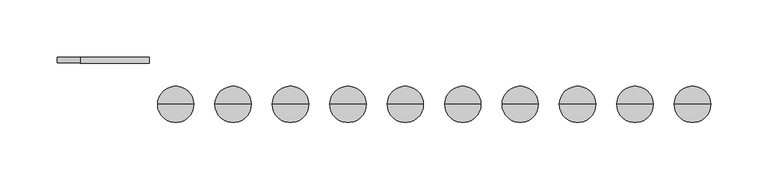
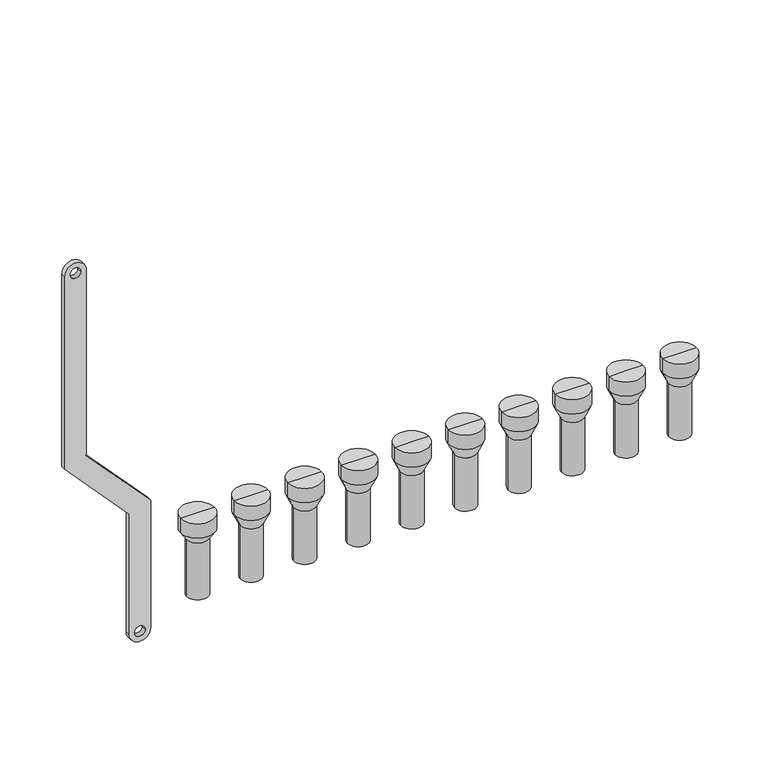
"""IFC4 building model written with IfcOpenShell, lengths in millimetres: proxy geometry."""

from ifc_helpers import new_model, si_unit, point, frame, frame_2d, origin, place, context, project, spatial, polyline, circle_curve, trimmed, segment, composite_curve, outline, extrude, source, transform, mapped, element, save
from ifc_brep_helpers import plane_surface, cylinder_surface, revolved_surface, advanced_brep


def mechanical_equipment_2aa0cf02(model_context):
    return source(origin(), model_context, "Body", "SolidModel", [
        advanced_brep(
        [(551.0, -20.0, -240.0), (535.0, -20.0, -240.0), (535.0, -20.0, -187.5), (551.0, -20.0, -187.5), (553.0, -20.0, -240.0), (533.0, -20.0, -240.0), (553.0, -20.0, -187.5), (533.0, -20.0, -187.5), (558.791778, -20.0, -175.079492), (527.208222, -20.0, -175.079492), (558.791778, -20.0, -161.0287273), (527.208222, -20.0, -161.0287273), (543.0, -20.0, -161.0287273), (543.0, -20.0, -187.5)],
        [
            (0, 1, circle_curve(frame((543.0, -20.0, -240.0), z_axis=(0.0, 0.0, -1.0), x_axis=(-1.0, 0.0, 0.0)), 8.0)),
            (1, 2),
            (2, 3, circle_curve(frame((543.0, -20.0, -187.5), z_axis=(0.0, 0.0, 1.0), x_axis=(-1.0, 0.0, 0.0)), 8.0)),
            (3, 0),
            (1, 0, circle_curve(frame((543.0, -20.0, -240.0), z_axis=(0.0, 0.0, -1.0), x_axis=(-1.0, 0.0, 0.0)), 8.0)),
            (3, 2, circle_curve(frame((543.0, -20.0, -187.5), z_axis=(0.0, 0.0, 1.0), x_axis=(-1.0, 0.0, 0.0)), 8.0)),
            (4, 5, circle_curve(frame((543.0, -20.0, -240.0), z_axis=(0.0, 0.0, -1.0), x_axis=(-1.0, 0.0, 0.0)), 10.0)),
            (5, 1),
            (0, 4),
            (5, 4, circle_curve(frame((543.0, -20.0, -240.0), z_axis=(0.0, 0.0, -1.0), x_axis=(-1.0, 0.0, 0.0)), 10.0)),
            (6, 7, circle_curve(frame((543.0, -20.0, -187.5), z_axis=(0.0, 0.0, -1.0), x_axis=(-1.0, 0.0, 0.0)), 10.0)),
            (7, 5),
            (4, 6),
            (7, 6, circle_curve(frame((543.0, -20.0, -187.5), z_axis=(0.0, 0.0, -1.0), x_axis=(-1.0, 0.0, 0.0)), 10.0)),
            (8, 9, circle_curve(frame((543.0, -20.0, -175.079492), z_axis=(0.0, 0.0, -1.0), x_axis=(-1.0, 0.0, 0.0)), 15.791778)),
            (9, 7),
            (6, 8),
            (9, 8, circle_curve(frame((543.0, -20.0, -175.079492), z_axis=(0.0, 0.0, -1.0), x_axis=(-1.0, 0.0, 0.0)), 15.791778)),
            (10, 11, circle_curve(frame((543.0, -20.0, -161.0287273), z_axis=(0.0, 0.0, -1.0), x_axis=(-1.0, 0.0, 0.0)), 15.791778)),
            (11, 9),
            (8, 10),
            (11, 10, circle_curve(frame((543.0, -20.0, -161.0287273), z_axis=(0.0, 0.0, -1.0), x_axis=(-1.0, 0.0, 0.0)), 15.791778)),
            (12, 11),
            (10, 12),
            (2, 13),
            (13, 3),
        ],
        [
            revolved_surface(polyline([(535.0, -20.0, -187.5), (535.0, -20.0, -240.0)]), (543.0, -20.0, -200.0), (0.0, 0.0, 1.0)),
            plane_surface(frame((543.0, -20.0, -240.0), z_axis=(0.0, 0.0, -1.0), x_axis=(-1.0, 0.0, 0.0))),
            cylinder_surface(frame((543.0, -20.0, -200.0), z_axis=(0.0, 0.0, 1.0), x_axis=(-1.0, 0.0, 0.0)), 10.0),
            revolved_surface(polyline([(533.0, -20.0, -187.5), (527.208222, -20.0, -175.079492)]), (543.0, -20.0, -200.0), (0.0, 0.0, 1.0)),
            cylinder_surface(frame((543.0, -20.0, -200.0), z_axis=(0.0, 0.0, 1.0), x_axis=(-1.0, 0.0, 0.0)), 15.791778),
            plane_surface(frame((543.0, -20.0, -161.0287273), z_axis=(0.0, 0.0, 1.0), x_axis=(-1.0, 0.0, 0.0))),
            plane_surface(frame((543.0, -20.0, -187.5), z_axis=(0.0, 0.0, -1.0), x_axis=(-1.0, 0.0, 0.0))),
        ],
        [
            (0, [[1, 2, 3, 4]]),
            (0, [[5, -4, 6, -2]]),
            (1, [[7, 8, -1, 9]]),
            (1, [[10, -9, -5, -8]]),
            (2, [[11, 12, -7, 13]]),
            (2, [[14, -13, -10, -12]]),
            (3, [[15, 16, -11, 17]]),
            (3, [[18, -17, -14, -16]]),
            (4, [[19, 20, -15, 21]]),
            (4, [[22, -21, -18, -20]]),
            (5, [[23, -19, 24]]),
            (5, [[-24, -22, -23]]),
            (6, [[-3, 25, 26]]),
            (6, [[-6, -26, -25]]),
        ],
    ),
        advanced_brep(
        [(501.0, -20.0, -240.0), (485.0, -20.0, -240.0), (485.0, -20.0, -187.5), (501.0, -20.0, -187.5), (503.0, -20.0, -240.0), (483.0, -20.0, -240.0), (503.0, -20.0, -187.5), (483.0, -20.0, -187.5), (508.791778, -20.0, -175.079492), (477.208222, -20.0, -175.079492), (508.791778, -20.0, -161.0287273), (477.208222, -20.0, -161.0287273), (493.0, -20.0, -161.0287273), (493.0, -20.0, -187.5)],
        [
            (0, 1, circle_curve(frame((493.0, -20.0, -240.0), z_axis=(0.0, 0.0, -1.0), x_axis=(-1.0, 0.0, 0.0)), 8.0)),
            (1, 2),
            (2, 3, circle_curve(frame((493.0, -20.0, -187.5), z_axis=(0.0, 0.0, 1.0), x_axis=(-1.0, 0.0, 0.0)), 8.0)),
            (3, 0),
            (1, 0, circle_curve(frame((493.0, -20.0, -240.0), z_axis=(0.0, 0.0, -1.0), x_axis=(-1.0, 0.0, 0.0)), 8.0)),
            (3, 2, circle_curve(frame((493.0, -20.0, -187.5), z_axis=(0.0, 0.0, 1.0), x_axis=(-1.0, 0.0, 0.0)), 8.0)),
            (4, 5, circle_curve(frame((493.0, -20.0, -240.0), z_axis=(0.0, 0.0, -1.0), x_axis=(-1.0, 0.0, 0.0)), 10.0)),
            (5, 1),
            (0, 4),
            (5, 4, circle_curve(frame((493.0, -20.0, -240.0), z_axis=(0.0, 0.0, -1.0), x_axis=(-1.0, 0.0, 0.0)), 10.0)),
            (6, 7, circle_curve(frame((493.0, -20.0, -187.5), z_axis=(0.0, 0.0, -1.0), x_axis=(-1.0, 0.0, 0.0)), 10.0)),
            (7, 5),
            (4, 6),
            (7, 6, circle_curve(frame((493.0, -20.0, -187.5), z_axis=(0.0, 0.0, -1.0), x_axis=(-1.0, 0.0, 0.0)), 10.0)),
            (8, 9, circle_curve(frame((493.0, -20.0, -175.079492), z_axis=(0.0, 0.0, -1.0), x_axis=(-1.0, 0.0, 0.0)), 15.791778)),
            (9, 7),
            (6, 8),
            (9, 8, circle_curve(frame((493.0, -20.0, -175.079492), z_axis=(0.0, 0.0, -1.0), x_axis=(-1.0, 0.0, 0.0)), 15.791778)),
            (10, 11, circle_curve(frame((493.0, -20.0, -161.0287273), z_axis=(0.0, 0.0, -1.0), x_axis=(-1.0, 0.0, 0.0)), 15.791778)),
            (11, 9),
            (8, 10),
            (11, 10, circle_curve(frame((493.0, -20.0, -161.0287273), z_axis=(0.0, 0.0, -1.0), x_axis=(-1.0, 0.0, 0.0)), 15.791778)),
            (12, 11),
            (10, 12),
            (2, 13),
            (13, 3),
        ],
        [
            revolved_surface(polyline([(485.0, -20.0, -187.5), (485.0, -20.0, -240.0)]), (493.0, -20.0, -200.0), (0.0, 0.0, 1.0)),
            plane_surface(frame((493.0, -20.0, -240.0), z_axis=(0.0, 0.0, -1.0), x_axis=(-1.0, 0.0, 0.0))),
            cylinder_surface(frame((493.0, -20.0, -200.0), z_axis=(0.0, 0.0, 1.0), x_axis=(-1.0, 0.0, 0.0)), 10.0),
            revolved_surface(polyline([(483.0, -20.0, -187.5), (477.208222, -20.0, -175.079492)]), (493.0, -20.0, -200.0), (0.0, 0.0, 1.0)),
            cylinder_surface(frame((493.0, -20.0, -200.0), z_axis=(0.0, 0.0, 1.0), x_axis=(-1.0, 0.0, 0.0)), 15.791778),
            plane_surface(frame((493.0, -20.0, -161.0287273), z_axis=(0.0, 0.0, 1.0), x_axis=(-1.0, 0.0, 0.0))),
            plane_surface(frame((493.0, -20.0, -187.5), z_axis=(0.0, 0.0, -1.0), x_axis=(-1.0, 0.0, 0.0))),
        ],
        [
            (0, [[1, 2, 3, 4]]),
            (0, [[5, -4, 6, -2]]),
            (1, [[7, 8, -1, 9]]),
            (1, [[10, -9, -5, -8]]),
            (2, [[11, 12, -7, 13]]),
            (2, [[14, -13, -10, -12]]),
            (3, [[15, 16, -11, 17]]),
            (3, [[18, -17, -14, -16]]),
            (4, [[19, 20, -15, 21]]),
            (4, [[22, -21, -18, -20]]),
            (5, [[23, -19, 24]]),
            (5, [[-24, -22, -23]]),
            (6, [[-3, 25, 26]]),
            (6, [[-6, -26, -25]]),
        ],
    ),
        advanced_brep(
        [(451.0, -20.0, -240.0), (435.0, -20.0, -240.0), (435.0, -20.0, -187.5), (451.0, -20.0, -187.5), (453.0, -20.0, -240.0), (433.0, -20.0, -240.0), (453.0, -20.0, -187.5), (433.0, -20.0, -187.5), (458.791778, -20.0, -175.079492), (427.208222, -20.0, -175.079492), (458.791778, -20.0, -161.0287273), (427.208222, -20.0, -161.0287273), (443.0, -20.0, -161.0287273), (443.0, -20.0, -187.5)],
        [
            (0, 1, circle_curve(frame((443.0, -20.0, -240.0), z_axis=(0.0, 0.0, -1.0), x_axis=(-1.0, 0.0, 0.0)), 8.0)),
            (1, 2),
            (2, 3, circle_curve(frame((443.0, -20.0, -187.5), z_axis=(0.0, 0.0, 1.0), x_axis=(-1.0, 0.0, 0.0)), 8.0)),
            (3, 0),
            (1, 0, circle_curve(frame((443.0, -20.0, -240.0), z_axis=(0.0, 0.0, -1.0), x_axis=(-1.0, 0.0, 0.0)), 8.0)),
            (3, 2, circle_curve(frame((443.0, -20.0, -187.5), z_axis=(0.0, 0.0, 1.0), x_axis=(-1.0, 0.0, 0.0)), 8.0)),
            (4, 5, circle_curve(frame((443.0, -20.0, -240.0), z_axis=(0.0, 0.0, -1.0), x_axis=(-1.0, 0.0, 0.0)), 10.0)),
            (5, 1),
            (0, 4),
            (5, 4, circle_curve(frame((443.0, -20.0, -240.0), z_axis=(0.0, 0.0, -1.0), x_axis=(-1.0, 0.0, 0.0)), 10.0)),
            (6, 7, circle_curve(frame((443.0, -20.0, -187.5), z_axis=(0.0, 0.0, -1.0), x_axis=(-1.0, 0.0, 0.0)), 10.0)),
            (7, 5),
            (4, 6),
            (7, 6, circle_curve(frame((443.0, -20.0, -187.5), z_axis=(0.0, 0.0, -1.0), x_axis=(-1.0, 0.0, 0.0)), 10.0)),
            (8, 9, circle_curve(frame((443.0, -20.0, -175.079492), z_axis=(0.0, 0.0, -1.0), x_axis=(-1.0, 0.0, 0.0)), 15.791778)),
            (9, 7),
            (6, 8),
            (9, 8, circle_curve(frame((443.0, -20.0, -175.079492), z_axis=(0.0, 0.0, -1.0), x_axis=(-1.0, 0.0, 0.0)), 15.791778)),
            (10, 11, circle_curve(frame((443.0, -20.0, -161.0287273), z_axis=(0.0, 0.0, -1.0), x_axis=(-1.0, 0.0, 0.0)), 15.791778)),
            (11, 9),
            (8, 10),
            (11, 10, circle_curve(frame((443.0, -20.0, -161.0287273), z_axis=(0.0, 0.0, -1.0), x_axis=(-1.0, 0.0, 0.0)), 15.791778)),
            (12, 11),
            (10, 12),
            (2, 13),
            (13, 3),
        ],
        [
            revolved_surface(polyline([(435.0, -20.0, -187.5), (435.0, -20.0, -240.0)]), (443.0, -20.0, -200.0), (0.0, 0.0, 1.0)),
            plane_surface(frame((443.0, -20.0, -240.0), z_axis=(0.0, 0.0, -1.0), x_axis=(-1.0, 0.0, 0.0))),
            cylinder_surface(frame((443.0, -20.0, -200.0), z_axis=(0.0, 0.0, 1.0), x_axis=(-1.0, 0.0, 0.0)), 10.0),
            revolved_surface(polyline([(433.0, -20.0, -187.5), (427.208222, -20.0, -175.079492)]), (443.0, -20.0, -200.0), (0.0, 0.0, 1.0)),
            cylinder_surface(frame((443.0, -20.0, -200.0), z_axis=(0.0, 0.0, 1.0), x_axis=(-1.0, 0.0, 0.0)), 15.791778),
            plane_surface(frame((443.0, -20.0, -161.0287273), z_axis=(0.0, 0.0, 1.0), x_axis=(-1.0, 0.0, 0.0))),
            plane_surface(frame((443.0, -20.0, -187.5), z_axis=(0.0, 0.0, -1.0), x_axis=(-1.0, 0.0, 0.0))),
        ],
        [
            (0, [[1, 2, 3, 4]]),
            (0, [[5, -4, 6, -2]]),
            (1, [[7, 8, -1, 9]]),
            (1, [[10, -9, -5, -8]]),
            (2, [[11, 12, -7, 13]]),
            (2, [[14, -13, -10, -12]]),
            (3, [[15, 16, -11, 17]]),
            (3, [[18, -17, -14, -16]]),
            (4, [[19, 20, -15, 21]]),
            (4, [[22, -21, -18, -20]]),
            (5, [[23, -19, 24]]),
            (5, [[-24, -22, -23]]),
            (6, [[-3, 25, 26]]),
            (6, [[-6, -26, -25]]),
        ],
    ),
        advanced_brep(
        [(401.0, -20.0, -240.0), (385.0, -20.0, -240.0), (385.0, -20.0, -187.5), (401.0, -20.0, -187.5), (403.0, -20.0, -240.0), (383.0, -20.0, -240.0), (403.0, -20.0, -187.5), (383.0, -20.0, -187.5), (408.791778, -20.0, -175.079492), (377.208222, -20.0, -175.079492), (408.791778, -20.0, -161.0287273), (377.208222, -20.0, -161.0287273), (393.0, -20.0, -161.0287273), (393.0, -20.0, -187.5)],
        [
            (0, 1, circle_curve(frame((393.0, -20.0, -240.0), z_axis=(0.0, 0.0, -1.0), x_axis=(-1.0, 0.0, 0.0)), 8.0)),
            (1, 2),
            (2, 3, circle_curve(frame((393.0, -20.0, -187.5), z_axis=(0.0, 0.0, 1.0), x_axis=(-1.0, 0.0, 0.0)), 8.0)),
            (3, 0),
            (1, 0, circle_curve(frame((393.0, -20.0, -240.0), z_axis=(0.0, 0.0, -1.0), x_axis=(-1.0, 0.0, 0.0)), 8.0)),
            (3, 2, circle_curve(frame((393.0, -20.0, -187.5), z_axis=(0.0, 0.0, 1.0), x_axis=(-1.0, 0.0, 0.0)), 8.0)),
            (4, 5, circle_curve(frame((393.0, -20.0, -240.0), z_axis=(0.0, 0.0, -1.0), x_axis=(-1.0, 0.0, 0.0)), 10.0)),
            (5, 1),
            (0, 4),
            (5, 4, circle_curve(frame((393.0, -20.0, -240.0), z_axis=(0.0, 0.0, -1.0), x_axis=(-1.0, 0.0, 0.0)), 10.0)),
            (6, 7, circle_curve(frame((393.0, -20.0, -187.5), z_axis=(0.0, 0.0, -1.0), x_axis=(-1.0, 0.0, 0.0)), 10.0)),
            (7, 5),
            (4, 6),
            (7, 6, circle_curve(frame((393.0, -20.0, -187.5), z_axis=(0.0, 0.0, -1.0), x_axis=(-1.0, 0.0, 0.0)), 10.0)),
            (8, 9, circle_curve(frame((393.0, -20.0, -175.079492), z_axis=(0.0, 0.0, -1.0), x_axis=(-1.0, 0.0, 0.0)), 15.791778)),
            (9, 7),
            (6, 8),
            (9, 8, circle_curve(frame((393.0, -20.0, -175.079492), z_axis=(0.0, 0.0, -1.0), x_axis=(-1.0, 0.0, 0.0)), 15.791778)),
            (10, 11, circle_curve(frame((393.0, -20.0, -161.0287273), z_axis=(0.0, 0.0, -1.0), x_axis=(-1.0, 0.0, 0.0)), 15.791778)),
            (11, 9),
            (8, 10),
            (11, 10, circle_curve(frame((393.0, -20.0, -161.0287273), z_axis=(0.0, 0.0, -1.0), x_axis=(-1.0, 0.0, 0.0)), 15.791778)),
            (12, 11),
            (10, 12),
            (2, 13),
            (13, 3),
        ],
        [
            revolved_surface(polyline([(385.0, -20.0, -187.5), (385.0, -20.0, -240.0)]), (393.0, -20.0, -200.0), (0.0, 0.0, 1.0)),
            plane_surface(frame((393.0, -20.0, -240.0), z_axis=(0.0, 0.0, -1.0), x_axis=(-1.0, 0.0, 0.0))),
            cylinder_surface(frame((393.0, -20.0, -200.0), z_axis=(0.0, 0.0, 1.0), x_axis=(-1.0, 0.0, 0.0)), 10.0),
            revolved_surface(polyline([(383.0, -20.0, -187.5), (377.208222, -20.0, -175.079492)]), (393.0, -20.0, -200.0), (0.0, 0.0, 1.0)),
            cylinder_surface(frame((393.0, -20.0, -200.0), z_axis=(0.0, 0.0, 1.0), x_axis=(-1.0, 0.0, 0.0)), 15.791778),
            plane_surface(frame((393.0, -20.0, -161.0287273), z_axis=(0.0, 0.0, 1.0), x_axis=(-1.0, 0.0, 0.0))),
            plane_surface(frame((393.0, -20.0, -187.5), z_axis=(0.0, 0.0, -1.0), x_axis=(-1.0, 0.0, 0.0))),
        ],
        [
            (0, [[1, 2, 3, 4]]),
            (0, [[5, -4, 6, -2]]),
            (1, [[7, 8, -1, 9]]),
            (1, [[10, -9, -5, -8]]),
            (2, [[11, 12, -7, 13]]),
            (2, [[14, -13, -10, -12]]),
            (3, [[15, 16, -11, 17]]),
            (3, [[18, -17, -14, -16]]),
            (4, [[19, 20, -15, 21]]),
            (4, [[22, -21, -18, -20]]),
            (5, [[23, -19, 24]]),
            (5, [[-24, -22, -23]]),
            (6, [[-3, 25, 26]]),
            (6, [[-6, -26, -25]]),
        ],
    ),
        advanced_brep(
        [(351.0, -20.0, -240.0), (335.0, -20.0, -240.0), (335.0, -20.0, -187.5), (351.0, -20.0, -187.5), (353.0, -20.0, -240.0), (333.0, -20.0, -240.0), (353.0, -20.0, -187.5), (333.0, -20.0, -187.5), (358.791778, -20.0, -175.079492), (327.208222, -20.0, -175.079492), (358.791778, -20.0, -161.0287273), (327.208222, -20.0, -161.0287273), (343.0, -20.0, -161.0287273), (343.0, -20.0, -187.5)],
        [
            (0, 1, circle_curve(frame((343.0, -20.0, -240.0), z_axis=(0.0, 0.0, -1.0), x_axis=(-1.0, 0.0, 0.0)), 8.0)),
            (1, 2),
            (2, 3, circle_curve(frame((343.0, -20.0, -187.5), z_axis=(0.0, 0.0, 1.0), x_axis=(-1.0, 0.0, 0.0)), 8.0)),
            (3, 0),
            (1, 0, circle_curve(frame((343.0, -20.0, -240.0), z_axis=(0.0, 0.0, -1.0), x_axis=(-1.0, 0.0, 0.0)), 8.0)),
            (3, 2, circle_curve(frame((343.0, -20.0, -187.5), z_axis=(0.0, 0.0, 1.0), x_axis=(-1.0, 0.0, 0.0)), 8.0)),
            (4, 5, circle_curve(frame((343.0, -20.0, -240.0), z_axis=(0.0, 0.0, -1.0), x_axis=(-1.0, 0.0, 0.0)), 10.0)),
            (5, 1),
            (0, 4),
            (5, 4, circle_curve(frame((343.0, -20.0, -240.0), z_axis=(0.0, 0.0, -1.0), x_axis=(-1.0, 0.0, 0.0)), 10.0)),
            (6, 7, circle_curve(frame((343.0, -20.0, -187.5), z_axis=(0.0, 0.0, -1.0), x_axis=(-1.0, 0.0, 0.0)), 10.0)),
            (7, 5),
            (4, 6),
            (7, 6, circle_curve(frame((343.0, -20.0, -187.5), z_axis=(0.0, 0.0, -1.0), x_axis=(-1.0, 0.0, 0.0)), 10.0)),
            (8, 9, circle_curve(frame((343.0, -20.0, -175.079492), z_axis=(0.0, 0.0, -1.0), x_axis=(-1.0, 0.0, 0.0)), 15.791778)),
            (9, 7),
            (6, 8),
            (9, 8, circle_curve(frame((343.0, -20.0, -175.079492), z_axis=(0.0, 0.0, -1.0), x_axis=(-1.0, 0.0, 0.0)), 15.791778)),
            (10, 11, circle_curve(frame((343.0, -20.0, -161.0287273), z_axis=(0.0, 0.0, -1.0), x_axis=(-1.0, 0.0, 0.0)), 15.791778)),
            (11, 9),
            (8, 10),
            (11, 10, circle_curve(frame((343.0, -20.0, -161.0287273), z_axis=(0.0, 0.0, -1.0), x_axis=(-1.0, 0.0, 0.0)), 15.791778)),
            (12, 11),
            (10, 12),
            (2, 13),
            (13, 3),
        ],
        [
            revolved_surface(polyline([(335.0, -20.0, -187.5), (335.0, -20.0, -240.0)]), (343.0, -20.0, -200.0), (0.0, 0.0, 1.0)),
            plane_surface(frame((343.0, -20.0, -240.0), z_axis=(0.0, 0.0, -1.0), x_axis=(-1.0, 0.0, 0.0))),
            cylinder_surface(frame((343.0, -20.0, -200.0), z_axis=(0.0, 0.0, 1.0), x_axis=(-1.0, 0.0, 0.0)), 10.0),
            revolved_surface(polyline([(333.0, -20.0, -187.5), (327.208222, -20.0, -175.079492)]), (343.0, -20.0, -200.0), (0.0, 0.0, 1.0)),
            cylinder_surface(frame((343.0, -20.0, -200.0), z_axis=(0.0, 0.0, 1.0), x_axis=(-1.0, 0.0, 0.0)), 15.791778),
            plane_surface(frame((343.0, -20.0, -161.0287273), z_axis=(0.0, 0.0, 1.0), x_axis=(-1.0, 0.0, 0.0))),
            plane_surface(frame((343.0, -20.0, -187.5), z_axis=(0.0, 0.0, -1.0), x_axis=(-1.0, 0.0, 0.0))),
        ],
        [
            (0, [[1, 2, 3, 4]]),
            (0, [[5, -4, 6, -2]]),
            (1, [[7, 8, -1, 9]]),
            (1, [[10, -9, -5, -8]]),
            (2, [[11, 12, -7, 13]]),
            (2, [[14, -13, -10, -12]]),
            (3, [[15, 16, -11, 17]]),
            (3, [[18, -17, -14, -16]]),
            (4, [[19, 20, -15, 21]]),
            (4, [[22, -21, -18, -20]]),
            (5, [[23, -19, 24]]),
            (5, [[-24, -22, -23]]),
            (6, [[-3, 25, 26]]),
            (6, [[-6, -26, -25]]),
        ],
    ),
        advanced_brep(
        [(301.0, -20.0, -240.0), (285.0, -20.0, -240.0), (285.0, -20.0, -187.5), (301.0, -20.0, -187.5), (303.0, -20.0, -240.0), (283.0, -20.0, -240.0), (303.0, -20.0, -187.5), (283.0, -20.0, -187.5), (308.791778, -20.0, -175.079492), (277.208222, -20.0, -175.079492), (308.791778, -20.0, -161.0287273), (277.208222, -20.0, -161.0287273), (293.0, -20.0, -161.0287273), (293.0, -20.0, -187.5)],
        [
            (0, 1, circle_curve(frame((293.0, -20.0, -240.0), z_axis=(0.0, 0.0, -1.0), x_axis=(-1.0, 0.0, 0.0)), 8.0)),
            (1, 2),
            (2, 3, circle_curve(frame((293.0, -20.0, -187.5), z_axis=(0.0, 0.0, 1.0), x_axis=(-1.0, 0.0, 0.0)), 8.0)),
            (3, 0),
            (1, 0, circle_curve(frame((293.0, -20.0, -240.0), z_axis=(0.0, 0.0, -1.0), x_axis=(-1.0, 0.0, 0.0)), 8.0)),
            (3, 2, circle_curve(frame((293.0, -20.0, -187.5), z_axis=(0.0, 0.0, 1.0), x_axis=(-1.0, 0.0, 0.0)), 8.0)),
            (4, 5, circle_curve(frame((293.0, -20.0, -240.0), z_axis=(0.0, 0.0, -1.0), x_axis=(-1.0, 0.0, 0.0)), 10.0)),
            (5, 1),
            (0, 4),
            (5, 4, circle_curve(frame((293.0, -20.0, -240.0), z_axis=(0.0, 0.0, -1.0), x_axis=(-1.0, 0.0, 0.0)), 10.0)),
            (6, 7, circle_curve(frame((293.0, -20.0, -187.5), z_axis=(0.0, 0.0, -1.0), x_axis=(-1.0, 0.0, 0.0)), 10.0)),
            (7, 5),
            (4, 6),
            (7, 6, circle_curve(frame((293.0, -20.0, -187.5), z_axis=(0.0, 0.0, -1.0), x_axis=(-1.0, 0.0, 0.0)), 10.0)),
            (8, 9, circle_curve(frame((293.0, -20.0, -175.079492), z_axis=(0.0, 0.0, -1.0), x_axis=(-1.0, 0.0, 0.0)), 15.791778)),
            (9, 7),
            (6, 8),
            (9, 8, circle_curve(frame((293.0, -20.0, -175.079492), z_axis=(0.0, 0.0, -1.0), x_axis=(-1.0, 0.0, 0.0)), 15.791778)),
            (10, 11, circle_curve(frame((293.0, -20.0, -161.0287273), z_axis=(0.0, 0.0, -1.0), x_axis=(-1.0, 0.0, 0.0)), 15.791778)),
            (11, 9),
            (8, 10),
            (11, 10, circle_curve(frame((293.0, -20.0, -161.0287273), z_axis=(0.0, 0.0, -1.0), x_axis=(-1.0, 0.0, 0.0)), 15.791778)),
            (12, 11),
            (10, 12),
            (2, 13),
            (13, 3),
        ],
        [
            revolved_surface(polyline([(285.0, -20.0, -187.5), (285.0, -20.0, -240.0)]), (293.0, -20.0, -200.0), (0.0, 0.0, 1.0)),
            plane_surface(frame((293.0, -20.0, -240.0), z_axis=(0.0, 0.0, -1.0), x_axis=(-1.0, 0.0, 0.0))),
            cylinder_surface(frame((293.0, -20.0, -200.0), z_axis=(0.0, 0.0, 1.0), x_axis=(-1.0, 0.0, 0.0)), 10.0),
            revolved_surface(polyline([(283.0, -20.0, -187.5), (277.208222, -20.0, -175.079492)]), (293.0, -20.0, -200.0), (0.0, 0.0, 1.0)),
            cylinder_surface(frame((293.0, -20.0, -200.0), z_axis=(0.0, 0.0, 1.0), x_axis=(-1.0, 0.0, 0.0)), 15.791778),
            plane_surface(frame((293.0, -20.0, -161.0287273), z_axis=(0.0, 0.0, 1.0), x_axis=(-1.0, 0.0, 0.0))),
            plane_surface(frame((293.0, -20.0, -187.5), z_axis=(0.0, 0.0, -1.0), x_axis=(-1.0, 0.0, 0.0))),
        ],
        [
            (0, [[1, 2, 3, 4]]),
            (0, [[5, -4, 6, -2]]),
            (1, [[7, 8, -1, 9]]),
            (1, [[10, -9, -5, -8]]),
            (2, [[11, 12, -7, 13]]),
            (2, [[14, -13, -10, -12]]),
            (3, [[15, 16, -11, 17]]),
            (3, [[18, -17, -14, -16]]),
            (4, [[19, 20, -15, 21]]),
            (4, [[22, -21, -18, -20]]),
            (5, [[23, -19, 24]]),
            (5, [[-24, -22, -23]]),
            (6, [[-3, 25, 26]]),
            (6, [[-6, -26, -25]]),
        ],
    ),
        advanced_brep(
        [(251.0, -20.0, -240.0), (235.0, -20.0, -240.0), (235.0, -20.0, -187.5), (251.0, -20.0, -187.5), (253.0, -20.0, -240.0), (233.0, -20.0, -240.0), (253.0, -20.0, -187.5), (233.0, -20.0, -187.5), (258.791778, -20.0, -175.079492), (227.208222, -20.0, -175.079492), (258.791778, -20.0, -161.0287273), (227.208222, -20.0, -161.0287273), (243.0, -20.0, -161.0287273), (243.0, -20.0, -187.5)],
        [
            (0, 1, circle_curve(frame((243.0, -20.0, -240.0), z_axis=(0.0, 0.0, -1.0), x_axis=(-1.0, 0.0, 0.0)), 8.0)),
            (1, 2),
            (2, 3, circle_curve(frame((243.0, -20.0, -187.5), z_axis=(0.0, 0.0, 1.0), x_axis=(-1.0, 0.0, 0.0)), 8.0)),
            (3, 0),
            (1, 0, circle_curve(frame((243.0, -20.0, -240.0), z_axis=(0.0, 0.0, -1.0), x_axis=(-1.0, 0.0, 0.0)), 8.0)),
            (3, 2, circle_curve(frame((243.0, -20.0, -187.5), z_axis=(0.0, 0.0, 1.0), x_axis=(-1.0, 0.0, 0.0)), 8.0)),
            (4, 5, circle_curve(frame((243.0, -20.0, -240.0), z_axis=(0.0, 0.0, -1.0), x_axis=(-1.0, 0.0, 0.0)), 10.0)),
            (5, 1),
            (0, 4),
            (5, 4, circle_curve(frame((243.0, -20.0, -240.0), z_axis=(0.0, 0.0, -1.0), x_axis=(-1.0, 0.0, 0.0)), 10.0)),
            (6, 7, circle_curve(frame((243.0, -20.0, -187.5), z_axis=(0.0, 0.0, -1.0), x_axis=(-1.0, 0.0, 0.0)), 10.0)),
            (7, 5),
            (4, 6),
            (7, 6, circle_curve(frame((243.0, -20.0, -187.5), z_axis=(0.0, 0.0, -1.0), x_axis=(-1.0, 0.0, 0.0)), 10.0)),
            (8, 9, circle_curve(frame((243.0, -20.0, -175.079492), z_axis=(0.0, 0.0, -1.0), x_axis=(-1.0, 0.0, 0.0)), 15.791778)),
            (9, 7),
            (6, 8),
            (9, 8, circle_curve(frame((243.0, -20.0, -175.079492), z_axis=(0.0, 0.0, -1.0), x_axis=(-1.0, 0.0, 0.0)), 15.791778)),
            (10, 11, circle_curve(frame((243.0, -20.0, -161.0287273), z_axis=(0.0, 0.0, -1.0), x_axis=(-1.0, 0.0, 0.0)), 15.791778)),
            (11, 9),
            (8, 10),
            (11, 10, circle_curve(frame((243.0, -20.0, -161.0287273), z_axis=(0.0, 0.0, -1.0), x_axis=(-1.0, 0.0, 0.0)), 15.791778)),
            (12, 11),
            (10, 12),
            (2, 13),
            (13, 3),
        ],
        [
            revolved_surface(polyline([(235.0, -20.0, -187.5), (235.0, -20.0, -240.0)]), (243.0, -20.0, -200.0), (0.0, 0.0, 1.0)),
            plane_surface(frame((243.0, -20.0, -240.0), z_axis=(0.0, 0.0, -1.0), x_axis=(-1.0, 0.0, 0.0))),
            cylinder_surface(frame((243.0, -20.0, -200.0), z_axis=(0.0, 0.0, 1.0), x_axis=(-1.0, 0.0, 0.0)), 10.0),
            revolved_surface(polyline([(233.0, -20.0, -187.5), (227.208222, -20.0, -175.079492)]), (243.0, -20.0, -200.0), (0.0, 0.0, 1.0)),
            cylinder_surface(frame((243.0, -20.0, -200.0), z_axis=(0.0, 0.0, 1.0), x_axis=(-1.0, 0.0, 0.0)), 15.791778),
            plane_surface(frame((243.0, -20.0, -161.0287273), z_axis=(0.0, 0.0, 1.0), x_axis=(-1.0, 0.0, 0.0))),
            plane_surface(frame((243.0, -20.0, -187.5), z_axis=(0.0, 0.0, -1.0), x_axis=(-1.0, 0.0, 0.0))),
        ],
        [
            (0, [[1, 2, 3, 4]]),
            (0, [[5, -4, 6, -2]]),
            (1, [[7, 8, -1, 9]]),
            (1, [[10, -9, -5, -8]]),
            (2, [[11, 12, -7, 13]]),
            (2, [[14, -13, -10, -12]]),
            (3, [[15, 16, -11, 17]]),
            (3, [[18, -17, -14, -16]]),
            (4, [[19, 20, -15, 21]]),
            (4, [[22, -21, -18, -20]]),
            (5, [[23, -19, 24]]),
            (5, [[-24, -22, -23]]),
            (6, [[-3, 25, 26]]),
            (6, [[-6, -26, -25]]),
        ],
    ),
        advanced_brep(
        [(201.0, -20.0, -240.0), (185.0, -20.0, -240.0), (185.0, -20.0, -187.5), (201.0, -20.0, -187.5), (203.0, -20.0, -240.0), (183.0, -20.0, -240.0), (203.0, -20.0, -187.5), (183.0, -20.0, -187.5), (208.791778, -20.0, -175.079492), (177.208222, -20.0, -175.079492), (208.791778, -20.0, -161.0287273), (177.208222, -20.0, -161.0287273), (193.0, -20.0, -161.0287273), (193.0, -20.0, -187.5)],
        [
            (0, 1, circle_curve(frame((193.0, -20.0, -240.0), z_axis=(0.0, 0.0, -1.0), x_axis=(-1.0, 0.0, 0.0)), 8.0)),
            (1, 2),
            (2, 3, circle_curve(frame((193.0, -20.0, -187.5), z_axis=(0.0, 0.0, 1.0), x_axis=(-1.0, 0.0, 0.0)), 8.0)),
            (3, 0),
            (1, 0, circle_curve(frame((193.0, -20.0, -240.0), z_axis=(0.0, 0.0, -1.0), x_axis=(-1.0, 0.0, 0.0)), 8.0)),
            (3, 2, circle_curve(frame((193.0, -20.0, -187.5), z_axis=(0.0, 0.0, 1.0), x_axis=(-1.0, 0.0, 0.0)), 8.0)),
            (4, 5, circle_curve(frame((193.0, -20.0, -240.0), z_axis=(0.0, 0.0, -1.0), x_axis=(-1.0, 0.0, 0.0)), 10.0)),
            (5, 1),
            (0, 4),
            (5, 4, circle_curve(frame((193.0, -20.0, -240.0), z_axis=(0.0, 0.0, -1.0), x_axis=(-1.0, 0.0, 0.0)), 10.0)),
            (6, 7, circle_curve(frame((193.0, -20.0, -187.5), z_axis=(0.0, 0.0, -1.0), x_axis=(-1.0, 0.0, 0.0)), 10.0)),
            (7, 5),
            (4, 6),
            (7, 6, circle_curve(frame((193.0, -20.0, -187.5), z_axis=(0.0, 0.0, -1.0), x_axis=(-1.0, 0.0, 0.0)), 10.0)),
            (8, 9, circle_curve(frame((193.0, -20.0, -175.079492), z_axis=(0.0, 0.0, -1.0), x_axis=(-1.0, 0.0, 0.0)), 15.791778)),
            (9, 7),
            (6, 8),
            (9, 8, circle_curve(frame((193.0, -20.0, -175.079492), z_axis=(0.0, 0.0, -1.0), x_axis=(-1.0, 0.0, 0.0)), 15.791778)),
            (10, 11, circle_curve(frame((193.0, -20.0, -161.0287273), z_axis=(0.0, 0.0, -1.0), x_axis=(-1.0, 0.0, 0.0)), 15.791778)),
            (11, 9),
            (8, 10),
            (11, 10, circle_curve(frame((193.0, -20.0, -161.0287273), z_axis=(0.0, 0.0, -1.0), x_axis=(-1.0, 0.0, 0.0)), 15.791778)),
            (12, 11),
            (10, 12),
            (2, 13),
            (13, 3),
        ],
        [
            revolved_surface(polyline([(185.0, -20.0, -187.5), (185.0, -20.0, -240.0)]), (193.0, -20.0, -200.0), (0.0, 0.0, 1.0)),
            plane_surface(frame((193.0, -20.0, -240.0), z_axis=(0.0, 0.0, -1.0), x_axis=(-1.0, 0.0, 0.0))),
            cylinder_surface(frame((193.0, -20.0, -200.0), z_axis=(0.0, 0.0, 1.0), x_axis=(-1.0, 0.0, 0.0)), 10.0),
            revolved_surface(polyline([(183.0, -20.0, -187.5), (177.208222, -20.0, -175.079492)]), (193.0, -20.0, -200.0), (0.0, 0.0, 1.0)),
            cylinder_surface(frame((193.0, -20.0, -200.0), z_axis=(0.0, 0.0, 1.0), x_axis=(-1.0, 0.0, 0.0)), 15.791778),
            plane_surface(frame((193.0, -20.0, -161.0287273), z_axis=(0.0, 0.0, 1.0), x_axis=(-1.0, 0.0, 0.0))),
            plane_surface(frame((193.0, -20.0, -187.5), z_axis=(0.0, 0.0, -1.0), x_axis=(-1.0, 0.0, 0.0))),
        ],
        [
            (0, [[1, 2, 3, 4]]),
            (0, [[5, -4, 6, -2]]),
            (1, [[7, 8, -1, 9]]),
            (1, [[10, -9, -5, -8]]),
            (2, [[11, 12, -7, 13]]),
            (2, [[14, -13, -10, -12]]),
            (3, [[15, 16, -11, 17]]),
            (3, [[18, -17, -14, -16]]),
            (4, [[19, 20, -15, 21]]),
            (4, [[22, -21, -18, -20]]),
            (5, [[23, -19, 24]]),
            (5, [[-24, -22, -23]]),
            (6, [[-3, 25, 26]]),
            (6, [[-6, -26, -25]]),
        ],
    ),
        advanced_brep(
        [(151.0, -20.0, -240.0), (135.0, -20.0, -240.0), (135.0, -20.0, -187.5), (151.0, -20.0, -187.5), (153.0, -20.0, -240.0), (133.0, -20.0, -240.0), (153.0, -20.0, -187.5), (133.0, -20.0, -187.5), (158.791778, -20.0, -175.079492), (127.208222, -20.0, -175.079492), (158.791778, -20.0, -161.0287273), (127.208222, -20.0, -161.0287273), (143.0, -20.0, -161.0287273), (143.0, -20.0, -187.5)],
        [
            (0, 1, circle_curve(frame((143.0, -20.0, -240.0), z_axis=(0.0, 0.0, -1.0), x_axis=(-1.0, 0.0, 0.0)), 8.0)),
            (1, 2),
            (2, 3, circle_curve(frame((143.0, -20.0, -187.5), z_axis=(0.0, 0.0, 1.0), x_axis=(-1.0, 0.0, 0.0)), 8.0)),
            (3, 0),
            (1, 0, circle_curve(frame((143.0, -20.0, -240.0), z_axis=(0.0, 0.0, -1.0), x_axis=(-1.0, 0.0, 0.0)), 8.0)),
            (3, 2, circle_curve(frame((143.0, -20.0, -187.5), z_axis=(0.0, 0.0, 1.0), x_axis=(-1.0, 0.0, 0.0)), 8.0)),
            (4, 5, circle_curve(frame((143.0, -20.0, -240.0), z_axis=(0.0, 0.0, -1.0), x_axis=(-1.0, 0.0, 0.0)), 10.0)),
            (5, 1),
            (0, 4),
            (5, 4, circle_curve(frame((143.0, -20.0, -240.0), z_axis=(0.0, 0.0, -1.0), x_axis=(-1.0, 0.0, 0.0)), 10.0)),
            (6, 7, circle_curve(frame((143.0, -20.0, -187.5), z_axis=(0.0, 0.0, -1.0), x_axis=(-1.0, 0.0, 0.0)), 10.0)),
            (7, 5),
            (4, 6),
            (7, 6, circle_curve(frame((143.0, -20.0, -187.5), z_axis=(0.0, 0.0, -1.0), x_axis=(-1.0, 0.0, 0.0)), 10.0)),
            (8, 9, circle_curve(frame((143.0, -20.0, -175.079492), z_axis=(0.0, 0.0, -1.0), x_axis=(-1.0, 0.0, 0.0)), 15.791778)),
            (9, 7),
            (6, 8),
            (9, 8, circle_curve(frame((143.0, -20.0, -175.079492), z_axis=(0.0, 0.0, -1.0), x_axis=(-1.0, 0.0, 0.0)), 15.791778)),
            (10, 11, circle_curve(frame((143.0, -20.0, -161.0287273), z_axis=(0.0, 0.0, -1.0), x_axis=(-1.0, 0.0, 0.0)), 15.791778)),
            (11, 9),
            (8, 10),
            (11, 10, circle_curve(frame((143.0, -20.0, -161.0287273), z_axis=(0.0, 0.0, -1.0), x_axis=(-1.0, 0.0, 0.0)), 15.791778)),
            (12, 11),
            (10, 12),
            (2, 13),
            (13, 3),
        ],
        [
            revolved_surface(polyline([(135.0, -20.0, -187.5), (135.0, -20.0, -240.0)]), (143.0, -20.0, -200.0), (0.0, 0.0, 1.0)),
            plane_surface(frame((143.0, -20.0, -240.0), z_axis=(0.0, 0.0, -1.0), x_axis=(-1.0, 0.0, 0.0))),
            cylinder_surface(frame((143.0, -20.0, -200.0), z_axis=(0.0, 0.0, 1.0), x_axis=(-1.0, 0.0, 0.0)), 10.0),
            revolved_surface(polyline([(133.0, -20.0, -187.5), (127.208222, -20.0, -175.079492)]), (143.0, -20.0, -200.0), (0.0, 0.0, 1.0)),
            cylinder_surface(frame((143.0, -20.0, -200.0), z_axis=(0.0, 0.0, 1.0), x_axis=(-1.0, 0.0, 0.0)), 15.791778),
            plane_surface(frame((143.0, -20.0, -161.0287273), z_axis=(0.0, 0.0, 1.0), x_axis=(-1.0, 0.0, 0.0))),
            plane_surface(frame((143.0, -20.0, -187.5), z_axis=(0.0, 0.0, -1.0), x_axis=(-1.0, 0.0, 0.0))),
        ],
        [
            (0, [[1, 2, 3, 4]]),
            (0, [[5, -4, 6, -2]]),
            (1, [[7, 8, -1, 9]]),
            (1, [[10, -9, -5, -8]]),
            (2, [[11, 12, -7, 13]]),
            (2, [[14, -13, -10, -12]]),
            (3, [[15, 16, -11, 17]]),
            (3, [[18, -17, -14, -16]]),
            (4, [[19, 20, -15, 21]]),
            (4, [[22, -21, -18, -20]]),
            (5, [[23, -19, 24]]),
            (5, [[-24, -22, -23]]),
            (6, [[-3, 25, 26]]),
            (6, [[-6, -26, -25]]),
        ],
    ),
        advanced_brep(
        [(101.0, -20.0, -240.0), (85.0, -20.0, -240.0), (85.0, -20.0, -184.0), (101.0, -20.0, -184.0), (103.0, -20.0, -240.0), (83.0, -20.0, -240.0), (103.0, -20.0, -184.0), (83.0, -20.0, -184.0), (108.791778, -20.0, -175.079492), (77.208222, -20.0, -175.079492), (108.791778, -20.0, -161.0287273), (77.208222, -20.0, -161.0287273), (93.0, -20.0, -161.0287273), (93.0, -20.0, -184.0)],
        [
            (0, 1, circle_curve(frame((93.0, -20.0, -240.0), z_axis=(0.0, 0.0, -1.0), x_axis=(-1.0, 0.0, 0.0)), 8.0)),
            (1, 2),
            (2, 3, circle_curve(frame((93.0, -20.0, -184.0), z_axis=(0.0, 0.0, 1.0), x_axis=(-1.0, 0.0, 0.0)), 8.0)),
            (3, 0),
            (1, 0, circle_curve(frame((93.0, -20.0, -240.0), z_axis=(0.0, 0.0, -1.0), x_axis=(-1.0, 0.0, 0.0)), 8.0)),
            (3, 2, circle_curve(frame((93.0, -20.0, -184.0), z_axis=(0.0, 0.0, 1.0), x_axis=(-1.0, 0.0, 0.0)), 8.0)),
            (4, 5, circle_curve(frame((93.0, -20.0, -240.0), z_axis=(0.0, 0.0, -1.0), x_axis=(-1.0, 0.0, 0.0)), 10.0)),
            (5, 1),
            (0, 4),
            (5, 4, circle_curve(frame((93.0, -20.0, -240.0), z_axis=(0.0, 0.0, -1.0), x_axis=(-1.0, 0.0, 0.0)), 10.0)),
            (6, 7, circle_curve(frame((93.0, -20.0, -184.0), z_axis=(0.0, 0.0, -1.0), x_axis=(-1.0, 0.0, 0.0)), 10.0)),
            (7, 5),
            (4, 6),
            (7, 6, circle_curve(frame((93.0, -20.0, -184.0), z_axis=(0.0, 0.0, -1.0), x_axis=(-1.0, 0.0, 0.0)), 10.0)),
            (8, 9, circle_curve(frame((93.0, -20.0, -175.079492), z_axis=(0.0, 0.0, -1.0), x_axis=(-1.0, 0.0, 0.0)), 15.791778)),
            (9, 7),
            (6, 8),
            (9, 8, circle_curve(frame((93.0, -20.0, -175.079492), z_axis=(0.0, 0.0, -1.0), x_axis=(-1.0, 0.0, 0.0)), 15.791778)),
            (10, 11, circle_curve(frame((93.0, -20.0, -161.0287273), z_axis=(0.0, 0.0, -1.0), x_axis=(-1.0, 0.0, 0.0)), 15.791778)),
            (11, 9),
            (8, 10),
            (11, 10, circle_curve(frame((93.0, -20.0, -161.0287273), z_axis=(0.0, 0.0, -1.0), x_axis=(-1.0, 0.0, 0.0)), 15.791778)),
            (12, 11),
            (10, 12),
            (2, 13),
            (13, 3),
        ],
        [
            revolved_surface(polyline([(85.0, -20.0, -184.0), (85.0, -20.0, -240.0)]), (93.0, -20.0, -200.0), (0.0, 0.0, 1.0)),
            plane_surface(frame((93.0, -20.0, -240.0), z_axis=(0.0, 0.0, -1.0), x_axis=(-1.0, 0.0, 0.0))),
            cylinder_surface(frame((93.0, -20.0, -200.0), z_axis=(0.0, 0.0, 1.0), x_axis=(-1.0, 0.0, 0.0)), 10.0),
            revolved_surface(polyline([(83.0, -20.0, -184.0), (77.208222, -20.0, -175.079492)]), (93.0, -20.0, -200.0), (0.0, 0.0, 1.0)),
            cylinder_surface(frame((93.0, -20.0, -200.0), z_axis=(0.0, 0.0, 1.0), x_axis=(-1.0, 0.0, 0.0)), 15.791778),
            plane_surface(frame((93.0, -20.0, -161.0287273), z_axis=(0.0, 0.0, 1.0), x_axis=(-1.0, 0.0, 0.0))),
            plane_surface(frame((93.0, -20.0, -184.0), z_axis=(0.0, 0.0, -1.0), x_axis=(-1.0, 0.0, 0.0))),
        ],
        [
            (0, [[1, 2, 3, 4]]),
            (0, [[5, -4, 6, -2]]),
            (1, [[7, 8, -1, 9]]),
            (1, [[10, -9, -5, -8]]),
            (2, [[11, 12, -7, 13]]),
            (2, [[14, -13, -10, -12]]),
            (3, [[15, 16, -11, 17]]),
            (3, [[18, -17, -14, -16]]),
            (4, [[19, 20, -15, 21]]),
            (4, [[22, -21, -18, -20]]),
            (5, [[23, -19, 24]]),
            (5, [[-24, -22, -23]]),
            (6, [[-3, 25, 26]]),
            (6, [[-6, -26, -25]]),
        ],
    ),
        extrude(outline(composite_curve([segment(trimmed(circle_curve(frame_2d((86.2845679, 0.0)), 10.0), [point((86.2845679, 10.0))], [point((86.2845679, -10.0))], False, "CARTESIAN"), True, "CONTINUOUS"), segment(polyline([(86.2845679, -10.0), (-103.7138261, -10.0), (-169.0329221, 50.0), (-287.9537524, 50.0)]), True, "CONTINUOUS"), segment(trimmed(circle_curve(frame_2d((-287.9537524, 60.0)), 10.0), [point((-287.9537524, 50.0))], [point((-287.9537524, 70.0))], False, "CARTESIAN"), True, "CONTINUOUS"), segment(polyline([(-287.9537524, 70.0), (-162.5345282, 70.0), (-97.2154321, 10.0), (86.2845679, 10.0)]), True, "CONTINUOUS")], self_intersect=False), holes=[composite_curve([segment(trimmed(circle_curve(frame_2d((86.2845679, 0.0)), 5.0), [point((86.2845679, -5.0))], [point((86.2845679, 5.0))], True, "CARTESIAN"), True, "CONTINUOUS"), segment(trimmed(circle_curve(frame_2d((86.2845679, 0.0)), 5.0), [point((86.2845679, 5.0))], [point((86.2845679, -5.0))], True, "CARTESIAN"), True, "CONTINUOUS")], self_intersect=False), composite_curve([segment(trimmed(circle_curve(frame_2d((-287.9537524, 60.0)), 5.0), [point((-287.9537524, 55.0))], [point((-287.9537524, 65.0))], True, "CARTESIAN"), True, "CONTINUOUS"), segment(trimmed(circle_curve(frame_2d((-287.9537524, 60.0)), 5.0), [point((-287.9537524, 65.0))], [point((-287.9537524, 55.0))], True, "CARTESIAN"), True, "CONTINUOUS")], self_intersect=False)]), frame((0.0, 16.0, 0.0), z_axis=(0.0, 1.0, 0.0), x_axis=(0.0, 0.0, 1.0)), (0.0, 0.0, 1.0), 4.847249),
    ])


if __name__ == "__main__":
    model = new_model("IFC4")
    model_context = context("Model", 3, world=origin())
    ifc_project = project(units=[si_unit("LENGTHUNIT", "METRE", prefix="MILLI")], contexts=[model_context])
    site = spatial("IfcSite", under=ifc_project)
    building = spatial("IfcBuilding", under=site)
    placement = place(None, origin())
    mechanical_equipment_shape = mechanical_equipment_2aa0cf02(model_context)
    element("IfcBuildingElementProxy", 1, Name="Mechanical Equipment", at=placement, inside=building, context=model_context, shape_type="MappedRepresentation", body=[
        mapped(mechanical_equipment_shape, transform((0.0, 0.0, 0.0), x_axis=(1.0, 0.0, 0.0), y_axis=(0.0, 1.0, 0.0), z_axis=(0.0, 0.0, 1.0))),
    ])
    save(model, "model.ifc")
